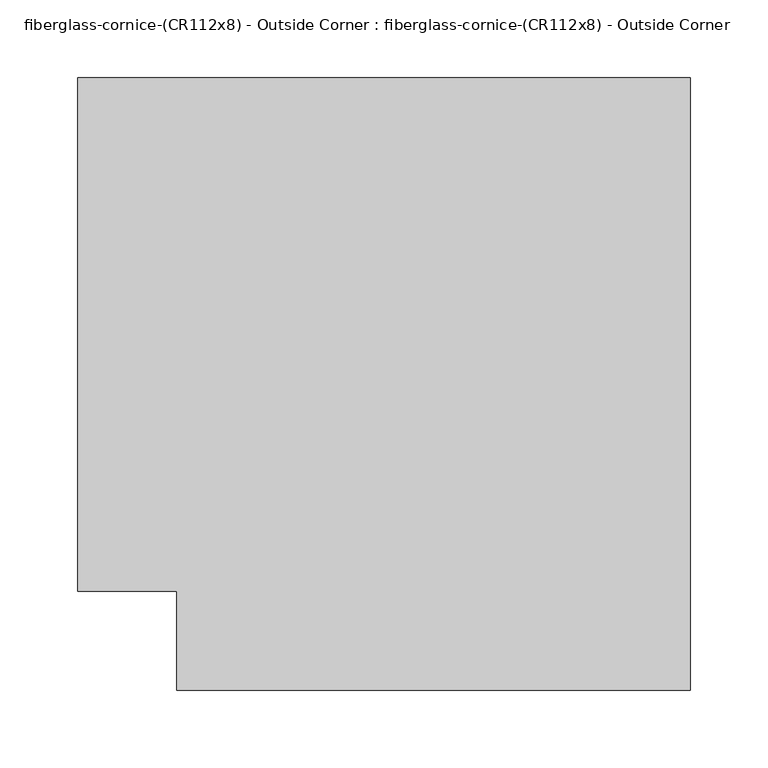
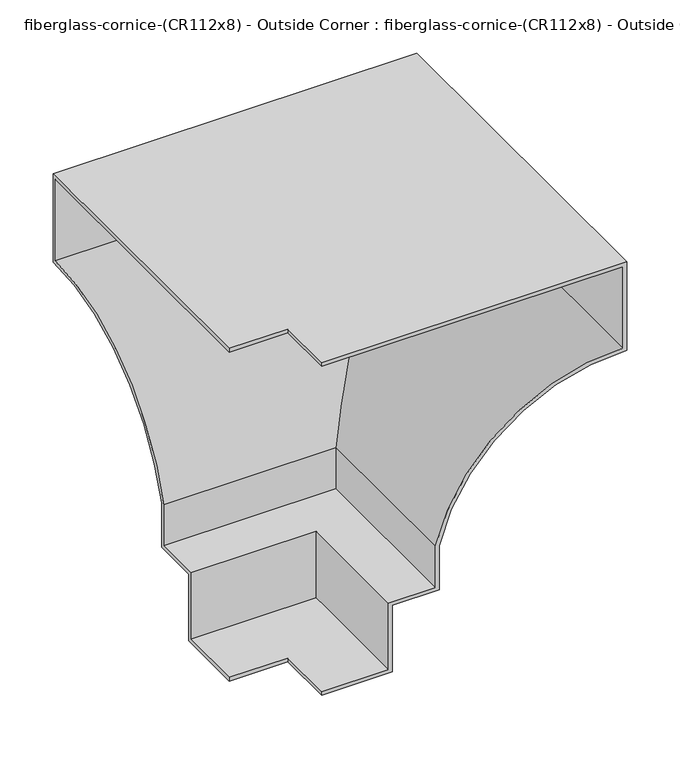
"""IFC4 building model written with IfcOpenShell, lengths in millimetres: furniture geometry, fiberglass-cornice-(CR112x8) - Outside Corner : fiberglass-cornice-(CR112x8) - Outside Corner."""

from ifc_helpers import new_model, si_unit, frame, origin, place, context, project, spatial, polyline, circle_curve, ellipse_curve, source, transform, mapped, element, save
from ifc_brep_helpers import plane_surface, cylinder_surface, revolved_surface, advanced_brep


def fiberglass_cornice_cr112x8_outside_corner_fiberglass_cornice_0246f77f(model_context):
    return source(origin(), model_context, "Body", "AdvancedBrep", [
        advanced_brep(
        [(-196.9488213, 101.6, 326.0724904), (-196.9488213, 101.6, 330.1999904), (-196.9488213, 431.8, 330.1999904), (-196.9488213, 431.8, 228.5999904), (-196.9488213, 228.6, 76.1999904), (-196.9488213, 228.6, 25.3999904), (-196.9488213, 177.8, 25.3999904), (-196.9488213, 177.8, -50.8000096), (-196.9488213, 101.6, -50.8000096), (-196.9488213, 101.6, -46.6725096), (-196.9488213, 173.6725, -46.6725096), (-196.9488213, 173.6725, 29.5274904), (-196.9488213, 224.4725, 29.5274904), (-196.9488213, 224.4725, 76.7223809), (-196.9488213, 427.6725, 232.8126721), (-196.9488213, 427.6725, 326.0724904), (-133.3496026, 38.0007813, 326.0724904), (192.7228974, 38.0007813, 326.0724904), (192.7228974, 38.0007813, 232.8126721), (-10.4771026, 38.0007813, 76.7223809), (-10.4771026, 38.0007813, 29.5274904), (-61.2771026, 38.0007813, 29.5274904), (-61.2771026, 38.0007813, -46.6725096), (-133.3496026, 38.0007813, -46.6725096), (-133.3496026, 38.0007813, -50.8000096), (-57.1496026, 38.0007813, -50.8000096), (-57.1496026, 38.0007813, 25.3999904), (-6.3496026, 38.0007813, 25.3999904), (-6.3496026, 38.0007813, 76.1999904), (196.8503974, 38.0007813, 228.5999904), (196.8503974, 38.0007813, 330.1999904), (-133.3496026, 38.0007813, 330.1999904), (-133.3496026, 101.6, 326.0724904), (-133.3496026, 101.6, 330.1999904), (196.8503974, 431.8, 330.1999904), (196.8503974, 431.8, 228.5999904), (-6.3496026, 228.6, 76.1999904), (-6.3496026, 228.6, 25.3999904), (-57.1496026, 177.8, 25.3999904), (-57.1496026, 177.8, -50.8000096), (-133.3496026, 101.6, -50.8000096), (-133.3496026, 101.6, -46.6725096), (-61.2771026, 173.6725, -46.6725096), (-61.2771026, 173.6725, 29.5274904), (-10.4771026, 224.4725, 29.5274904), (-10.4771026, 224.4725, 76.7223809), (192.7228974, 427.6725, 232.8126721), (192.7228974, 427.6725, 326.0724904)],
        [
            (0, 1),
            (1, 2),
            (2, 3),
            (3, 4, circle_curve(frame((-196.9488213, 425.5499157, 25.2667695), z_axis=(1.0, 0.0, 0.0), x_axis=(0.0, 1.0, 0.0)), 203.4292562)),
            (4, 5),
            (5, 6),
            (6, 7),
            (7, 8),
            (8, 9),
            (9, 10),
            (10, 11),
            (11, 12),
            (12, 13),
            (13, 14, circle_curve(frame((-196.9488213, 425.5499157, 25.2667695), z_axis=(-1.0, 0.0, 0.0), x_axis=(0.0, 1.0, 0.0)), 207.5567562)),
            (14, 15),
            (15, 0),
            (16, 17),
            (17, 18),
            (18, 19, circle_curve(frame((190.6003131, 38.0007813, 25.2667695), z_axis=(0.0, -1.0, 0.0), x_axis=(1.0, 0.0, 0.0)), 207.5567562)),
            (19, 20),
            (20, 21),
            (21, 22),
            (22, 23),
            (23, 24),
            (24, 25),
            (25, 26),
            (26, 27),
            (27, 28),
            (28, 29, circle_curve(frame((190.6003131, 38.0007813, 25.2667695), z_axis=(0.0, 1.0, 0.0), x_axis=(1.0, 0.0, 0.0)), 203.4292562)),
            (29, 30),
            (30, 31),
            (31, 16),
            (0, 32),
            (32, 33),
            (33, 1),
            (33, 31),
            (30, 34),
            (34, 2),
            (34, 35),
            (35, 3),
            (35, 36, ellipse_curve(frame((190.6003131, 425.5499157, 25.2667695), z_axis=(0.7071067811865563, -0.7071067811865387, 0.0), x_axis=(0.7071067811865387, 0.7071067811865565, 0.0)), 287.6924131, 203.4292562)),
            (36, 4),
            (36, 37),
            (37, 5),
            (37, 27),
            (26, 38),
            (38, 6),
            (38, 39),
            (39, 7),
            (39, 25),
            (24, 40),
            (40, 8),
            (40, 41),
            (41, 9),
            (41, 23),
            (22, 42),
            (42, 10),
            (42, 43),
            (43, 11),
            (43, 21),
            (20, 44),
            (44, 12),
            (44, 45),
            (45, 13),
            (45, 46, ellipse_curve(frame((190.6003131, 425.5499157, 25.2667695), z_axis=(-0.7071067811865563, 0.7071067811865387, 0.0), x_axis=(-0.7071067811865387, -0.7071067811865565, 0.0)), 293.5295796, 207.5567562)),
            (46, 14),
            (46, 47),
            (47, 15),
            (47, 17),
            (16, 32),
            (29, 35),
            (28, 36),
            (19, 45),
            (18, 46),
        ],
        [
            plane_surface(frame((-196.9488213, 101.6, 330.1999904), z_axis=(-1.0, 0.0, 0.0), x_axis=(0.0, 0.0, 1.0))),
            plane_surface(frame((-133.3496026, 38.0007813, 330.1999904), z_axis=(0.0, -1.0, 0.0), x_axis=(0.0, 0.0, 1.0))),
            plane_surface(frame((-196.9488213, 101.6, 326.0724904), z_axis=(0.0, -1.0, 0.0), x_axis=(1.0, 0.0, 0.0))),
            plane_surface(frame((-196.9488213, 101.6, 330.1999904), z_axis=(0.0, 0.0, 1.0), x_axis=(1.0, 0.0, 0.0))),
            plane_surface(frame((-196.9488213, 431.8, 330.1999904), z_axis=(0.0, 1.0, 0.0), x_axis=(1.0, 0.0, 0.0))),
            revolved_surface(polyline([(394.029569298929, 628.9791719, 25.2667695), (-196.9488213, 628.9791719, 25.2667695)]), (-196.9488213, 425.5499157, 25.2667695), (1.0, 0.0, 0.0)),
            plane_surface(frame((-196.9488213, 228.6, 76.1999904), z_axis=(0.0, 1.0, 0.0), x_axis=(1.0, 0.0, 0.0))),
            plane_surface(frame((-196.9488213, 228.6, 25.3999904), z_axis=(0.0, 0.0, -1.0), x_axis=(1.0, 0.0, 0.0))),
            plane_surface(frame((-196.9488213, 177.8, 25.3999904), z_axis=(0.0, 1.0, 0.0), x_axis=(1.0, 0.0, 0.0))),
            plane_surface(frame((-196.9488213, 177.8, -50.8000096), z_axis=(0.0, 0.0, -1.0), x_axis=(1.0, 0.0, 0.0))),
            plane_surface(frame((-196.9488213, 101.6, -50.8000096), z_axis=(0.0, -1.0, 0.0), x_axis=(1.0, 0.0, 0.0))),
            plane_surface(frame((-196.9488213, 101.6, -46.6725096), z_axis=(0.0, 0.0, 1.0), x_axis=(1.0, 0.0, 0.0))),
            plane_surface(frame((-196.9488213, 173.6725, -46.6725096), z_axis=(0.0, -1.0, 0.0), x_axis=(1.0, 0.0, 0.0))),
            plane_surface(frame((-196.9488213, 173.6725, 29.5274904), z_axis=(0.0, 0.0, 1.0), x_axis=(1.0, 0.0, 0.0))),
            plane_surface(frame((-196.9488213, 224.4725, 29.5274904), z_axis=(0.0, -1.0, 0.0), x_axis=(1.0, 0.0, 0.0))),
            cylinder_surface(frame((-196.9488213, 425.5499157, 25.2667695), z_axis=(-1.0, 0.0, 0.0), x_axis=(0.0, 1.0, 0.0)), 207.5567562),
            plane_surface(frame((-196.9488213, 427.6725, 232.8126721), z_axis=(0.0, -1.0, 0.0), x_axis=(1.0, 0.0, 0.0))),
            plane_surface(frame((-196.9488213, 427.6725, 326.0724904), z_axis=(0.0, 0.0, -1.0), x_axis=(1.0, 0.0, 0.0))),
            plane_surface(frame((-133.3496026, 101.6, 326.0724904), z_axis=(-1.0, 0.0, 0.0), x_axis=(0.0, -1.0, 0.0))),
            plane_surface(frame((196.8503974, 431.8, 330.1999904), z_axis=(1.0, 0.0, 0.0), x_axis=(0.0, -1.0, 0.0))),
            revolved_surface(polyline([(394.0295693, 38.0007813, 25.2667695), (394.0295693, 628.9791718989342, 25.2667695)]), (190.6003131, 101.6, 25.2667695), (0.0, -1.0, 0.0)),
            plane_surface(frame((-6.3496026, 228.6, 76.1999904), z_axis=(1.0, 0.0, 0.0), x_axis=(0.0, -1.0, 0.0))),
            plane_surface(frame((-57.1496026, 177.8, 25.3999904), z_axis=(1.0, 0.0, 0.0), x_axis=(0.0, -1.0, 0.0))),
            plane_surface(frame((-133.3496026, 101.6, -50.8000096), z_axis=(-1.0, 0.0, 0.0), x_axis=(0.0, -1.0, 0.0))),
            plane_surface(frame((-61.2771026, 173.6725, -46.6725096), z_axis=(-1.0, 0.0, 0.0), x_axis=(0.0, -1.0, 0.0))),
            plane_surface(frame((-10.4771026, 224.4725, 29.5274904), z_axis=(-1.0, 0.0, 0.0), x_axis=(0.0, -1.0, 0.0))),
            cylinder_surface(frame((190.6003131, 101.6, 25.2667695), z_axis=(0.0, 1.0, 0.0), x_axis=(1.0, 0.0, 0.0)), 207.5567562),
            plane_surface(frame((192.7228974, 427.6725, 232.8126721), z_axis=(-1.0, 0.0, 0.0), x_axis=(0.0, -1.0, 0.0))),
        ],
        [
            (0, [[1, 2, 3, 4, 5, 6, 7, 8, 9, 10, 11, 12, 13, 14, 15, 16]]),
            (1, [[17, 18, 19, 20, 21, 22, 23, 24, 25, 26, 27, 28, 29, 30, 31, 32]]),
            (2, [[-1, 33, 34, 35]]),
            (3, [[-2, -35, 36, -31, 37, 38]]),
            (4, [[-3, -38, 39, 40]]),
            (5, [[-4, -40, 41, 42]]),
            (6, [[-5, -42, 43, 44]]),
            (7, [[-6, -44, 45, -27, 46, 47]]),
            (8, [[-7, -47, 48, 49]]),
            (9, [[-8, -49, 50, -25, 51, 52]]),
            (10, [[-9, -52, 53, 54]]),
            (11, [[-10, -54, 55, -23, 56, 57]]),
            (12, [[-11, -57, 58, 59]]),
            (13, [[-12, -59, 60, -21, 61, 62]]),
            (14, [[-13, -62, 63, 64]]),
            (15, [[-14, -64, 65, 66]]),
            (16, [[-15, -66, 67, 68]]),
            (17, [[-16, -68, 69, -17, 70, -33]]),
            (18, [[-34, -70, -32, -36]]),
            (19, [[-39, -37, -30, 71]]),
            (20, [[-41, -71, -29, 72]]),
            (21, [[-43, -72, -28, -45]]),
            (22, [[-48, -46, -26, -50]]),
            (23, [[-53, -51, -24, -55]]),
            (24, [[-58, -56, -22, -60]]),
            (25, [[-63, -61, -20, 73]]),
            (26, [[-65, -73, -19, 74]]),
            (27, [[-67, -74, -18, -69]]),
        ],
    ),
    ])


if __name__ == "__main__":
    model = new_model("IFC4")
    model_context = context("Model", 3, world=origin())
    ifc_project = project(units=[si_unit("LENGTHUNIT", "METRE", prefix="MILLI")], contexts=[model_context])
    site = spatial("IfcSite", under=ifc_project)
    building = spatial("IfcBuilding", under=site)
    placement = place(None, origin())
    fiberglass_cornice_cr112x8_outside_corner_fiberglass_cornice_shape = fiberglass_cornice_cr112x8_outside_corner_fiberglass_cornice_0246f77f(model_context)
    element("IfcFurniture", 1, ObjectType="fiberglass-cornice-(CR112x8) - Outside Corner : fiberglass-cornice-(CR112x8) - Outside Corner", at=placement, inside=building, context=model_context, shape_type="MappedRepresentation", body=[
        mapped(fiberglass_cornice_cr112x8_outside_corner_fiberglass_cornice_shape, transform((0.0, 0.0, 0.0), x_axis=(1.0, 0.0, 0.0), y_axis=(0.0, 1.0, 0.0), z_axis=(0.0, 0.0, 1.0))),
    ])
    save(model, "model.ifc")
